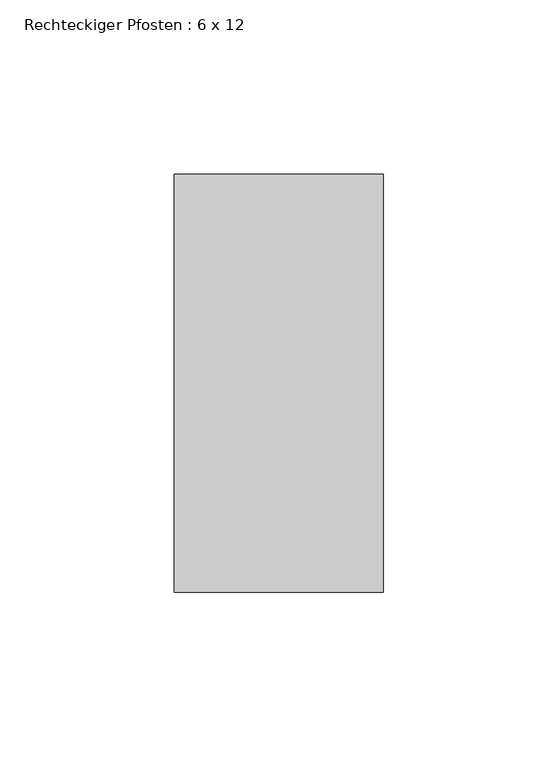
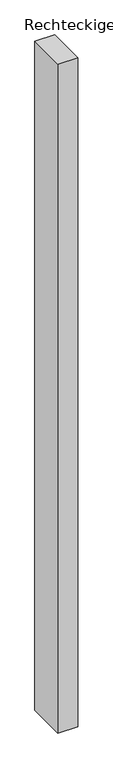
"""IFC4 building model written with IfcOpenShell, lengths in millimetres: member geometry, Rechteckiger Pfosten : 6 x 12."""

from ifc_helpers import new_model, si_unit, frame, origin, place, context, project, spatial, polyline, outline, extrude, source, transform, mapped, element, save


def rechteckiger_pfosten_6_x_12_262aa973(model_context):
    return source(origin(), model_context, "Body", "SweptSolid", [
        extrude(outline(polyline([(30.0, 60.0), (30.0, -60.0), (-30.0, -60.0), (-30.0, 60.0), (30.0, 60.0)])), frame((0.0, 0.0, -2140.0), z_axis=(0.0, 0.0, 1.0), x_axis=(1.0, 0.0, 0.0)), (0.0, 0.0, 1.0), 2140.0),
    ])


if __name__ == "__main__":
    model = new_model("IFC4")
    model_context = context("Model", 3, world=origin())
    ifc_project = project(units=[si_unit("LENGTHUNIT", "METRE", prefix="MILLI")], contexts=[model_context])
    site = spatial("IfcSite", under=ifc_project)
    building = spatial("IfcBuilding", under=site)
    placement = place(None, origin())
    rechteckiger_pfosten_6_x_12_shape = rechteckiger_pfosten_6_x_12_262aa973(model_context)
    element("IfcMember", 1, ObjectType="Rechteckiger Pfosten : 6 x 12", at=placement, inside=building, context=model_context, shape_type="MappedRepresentation", body=[
        mapped(rechteckiger_pfosten_6_x_12_shape, transform((0.0, 0.0, 0.0), x_axis=(1.0, 0.0, 0.0), y_axis=(0.0, 1.0, 0.0), z_axis=(0.0, 0.0, 1.0))),
    ])
    save(model, "model.ifc")
